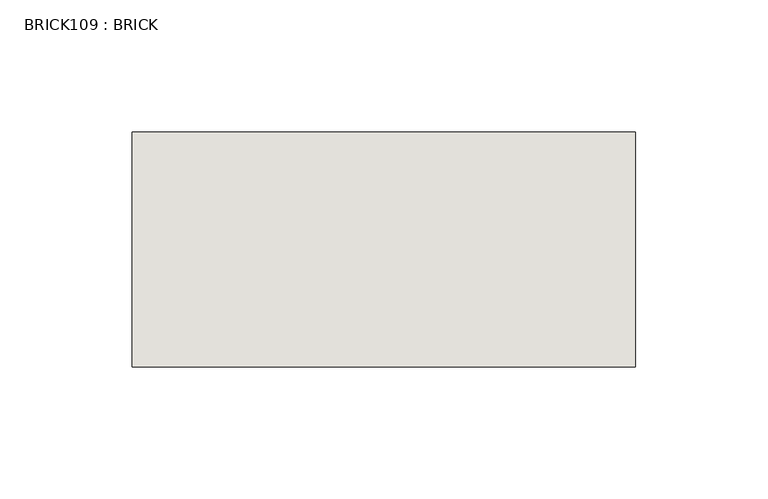
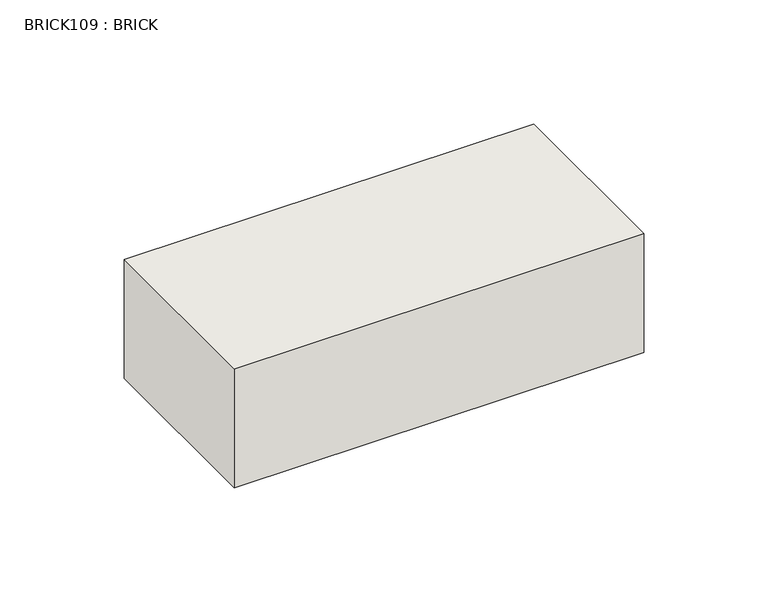
"""IFC4 building model written with IfcOpenShell, lengths in millimetres: wall geometry, BRICK109 : BRICK."""

from ifc_helpers import new_model, si_unit, frame, origin, place, context, project, spatial, polyline, outline, extrude, source, transform, mapped, element, save


def brick109_brick_23da9156(model_context):
    return source(origin(), model_context, "Body", "SweptSolid", [
        extrude(outline(polyline([(834.8530711, 2586.2274125), (1025.3530711, 2586.2274125), (1025.3530711, 2497.3274125), (834.8530711, 2497.3274125), (834.8530711, 2586.2274125)])), frame((0.0, 0.0, 214.0148438), z_axis=(0.0, 0.0, 1.0), x_axis=(1.0, 0.0, 0.0)), (0.0, 0.0, 1.0), 58.4398437),
    ])


if __name__ == "__main__":
    model = new_model("IFC4")
    model_context = context("Model", 3, world=origin())
    ifc_project = project(units=[si_unit("LENGTHUNIT", "METRE", prefix="MILLI")], contexts=[model_context])
    site = spatial("IfcSite", under=ifc_project)
    building = spatial("IfcBuilding", under=site)
    placement = place(None, origin())
    brick109_brick_shape = brick109_brick_23da9156(model_context)
    element("IfcWall", 1, ObjectType="BRICK109 : BRICK", at=placement, inside=building, context=model_context, shape_type="MappedRepresentation", body=[
        mapped(brick109_brick_shape, transform((0.0, 0.0, 0.0), x_axis=(1.0, 0.0, 0.0), y_axis=(0.0, 1.0, 0.0), z_axis=(0.0, 0.0, 1.0))),
    ])
    save(model, "model.ifc")
